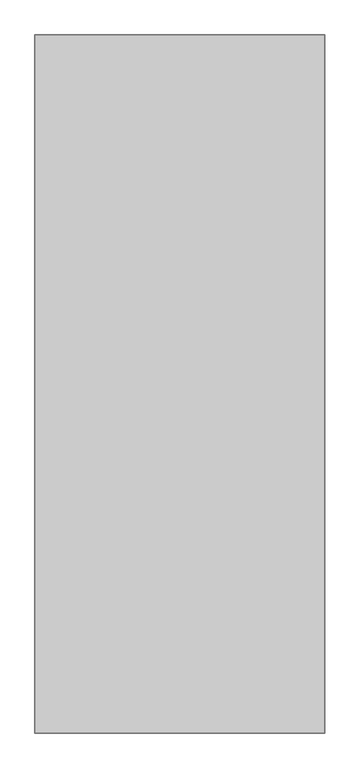
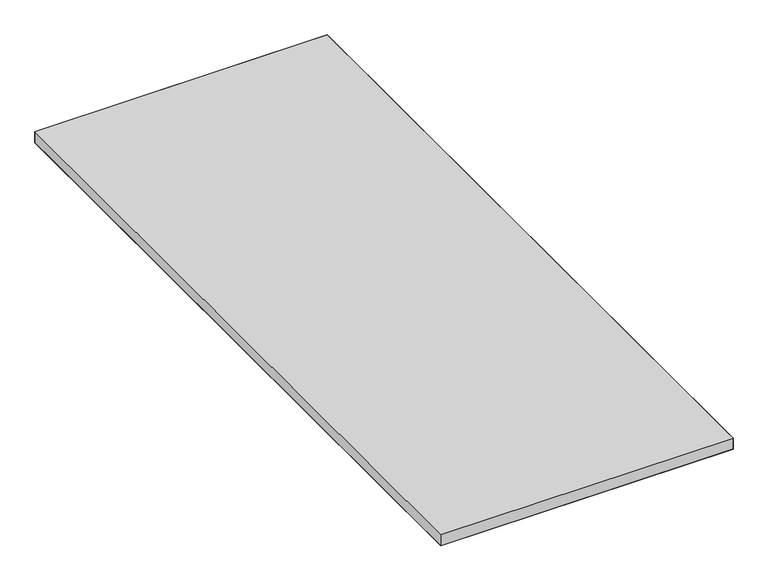
"""IFC4 building model written with IfcOpenShell, lengths in millimetres: furniture geometry."""

from ifc_helpers import new_model, si_unit, origin, place, context, project, spatial, triangles, source, transform, mapped, element, save


def furniture_dbea017e(model_context):
    return source(origin(), model_context, "Body", "Tessellation", [
        triangles([(1.524, -1.524, 695.5523844), (760.4759651, -1.524, 695.5523844), (760.4759651, -1827.2759651, 695.5523844), (1.524, -1827.2759651, 695.5523844), (760.4759651, -1827.2759651, 725.4227995), (760.4759651, -1.524, 725.4227995), (1.524, -1.524, 725.4227995), (1.524, -1827.2759651, 725.4227995)], [[1, 2, 3], [1, 3, 4], [5, 6, 7], [5, 7, 8]], closed=False),
        triangles([(760.4759651, -1.524, 695.5523844), (760.4759651, -1.524, 725.4227995), (760.4759651, -1827.2759651, 725.4227995), (760.4759651, -1827.2759651, 695.5523844), (1.524, -1827.2759651, 725.4227995), (1.524, -1.524, 725.4227995), (1.524, -1.524, 695.5523844), (1.524, -1827.2759651, 695.5523844)], [[1, 2, 3], [1, 3, 4], [5, 6, 7], [5, 7, 8], [4, 3, 5], [4, 5, 8], [6, 2, 1], [6, 1, 7]], closed=False),
    ])


if __name__ == "__main__":
    model = new_model("IFC4")
    model_context = context("Model", 3, world=origin())
    ifc_project = project(units=[si_unit("LENGTHUNIT", "METRE", prefix="MILLI")], contexts=[model_context])
    site = spatial("IfcSite", under=ifc_project)
    building = spatial("IfcBuilding", under=site)
    placement = place(None, origin())
    furniture_shape = furniture_dbea017e(model_context)
    element("IfcFurniture", 1, at=placement, inside=building, context=model_context, shape_type="MappedRepresentation", body=[
        mapped(furniture_shape, transform((0.0, 0.0, 0.0), x_axis=(1.0, 0.0, 0.0), y_axis=(0.0, 1.0, 0.0), z_axis=(0.0, 0.0, 1.0))),
    ])
    save(model, "model.ifc")
